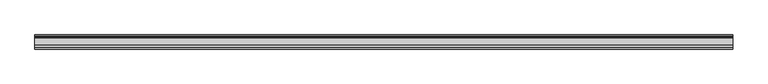
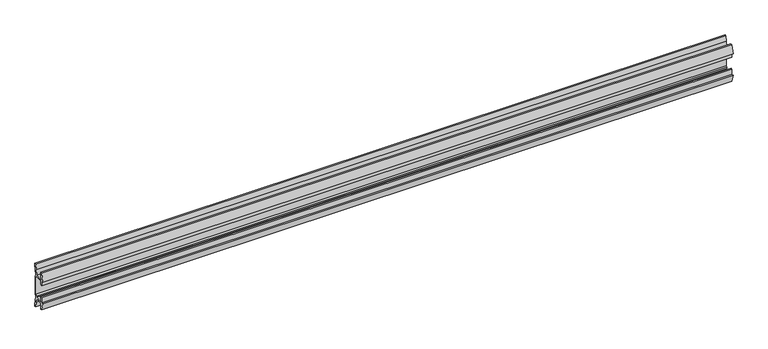
"""IFC4 building model written with IfcOpenShell, lengths in millimetres: furniture geometry."""

from ifc_helpers import new_model, si_unit, point, frame, frame_2d, origin, place, context, project, spatial, polyline, circle_curve, trimmed, segment, composite_curve, outline, extrude, source, transform, mapped, element, save


def furniture_08303adc(model_context):
    return source(origin(), model_context, "Body", "SweptSolid", [
        extrude(outline(composite_curve([segment(polyline([(11.858323, 898.0845986), (10.7166987, 892.1251626)]), True, "CONTINUOUS"), segment(trimmed(circle_curve(frame_2d((88.1501042, 877.291568)), 78.8414093), [point((10.7166987, 892.1251626))], [point((9.4546262, 882.0863112))], True, "CARTESIAN"), True, "CONTINUOUS"), segment(polyline([(9.4546262, 882.0863112), (11.4773198, 880.0636177), (11.4773198, 847.1363823), (9.4546262, 845.1136888)]), True, "CONTINUOUS"), segment(trimmed(circle_curve(frame_2d((88.1501042, 849.908432)), 78.8414093), [point((9.4546262, 845.1136888))], [point((10.7166987, 835.0748374))], True, "CARTESIAN"), True, "CONTINUOUS"), segment(polyline([(10.7166987, 835.0748374), (11.858323, 829.1154014), (11.858323, 825.5006449), (9.3183016, 825.5006449), (7.5671861, 834.641709), (6.9977776, 841.3354675), (-5.9218281, 841.3354675), (-5.9218281, 830.7705449), (-8.4618484, 830.7705449), (-11.7914971, 844.2790462), (-8.4618484, 843.2801511), (-8.4618484, 852.8052306), (-5.9218281, 852.8052306), (-5.9218281, 843.915155), (6.7782802, 843.915155), (6.7782802, 846.469689), (8.8976323, 848.3120136), (8.8976323, 878.8910348), (6.7782802, 880.7454685), (-5.2868484, 880.7454685), (-5.2868484, 874.3954144), (-8.4618484, 874.3954144), (-8.4618484, 883.9204939), (-11.858323, 882.6504837), (-8.4618484, 896.4301), (-5.2868484, 896.4301), (-5.2868484, 883.2854899), (6.7782802, 883.2854899), (7.5671861, 892.5595809), (9.3183016, 901.7006449), (11.858323, 901.7006449), (11.858323, 898.0845986)]), True, "CONTINUOUS")], self_intersect=False)), frame((-584.2, 0.0, 0.0), z_axis=(1.0, 0.0, 0.0), x_axis=(0.0, 1.0, 0.0)), (0.0, 0.0, 1.0), 1168.4),
    ])


if __name__ == "__main__":
    model = new_model("IFC4")
    model_context = context("Model", 3, world=origin())
    ifc_project = project(units=[si_unit("LENGTHUNIT", "METRE", prefix="MILLI")], contexts=[model_context])
    site = spatial("IfcSite", under=ifc_project)
    building = spatial("IfcBuilding", under=site)
    placement = place(None, origin())
    furniture_shape = furniture_08303adc(model_context)
    element("IfcFurniture", 1, at=placement, inside=building, context=model_context, shape_type="MappedRepresentation", body=[
        mapped(furniture_shape, transform((0.0, 0.0, 0.0), x_axis=(1.0, 0.0, 0.0), y_axis=(0.0, 1.0, 0.0), z_axis=(0.0, 0.0, 1.0))),
    ])
    save(model, "model.ifc")
